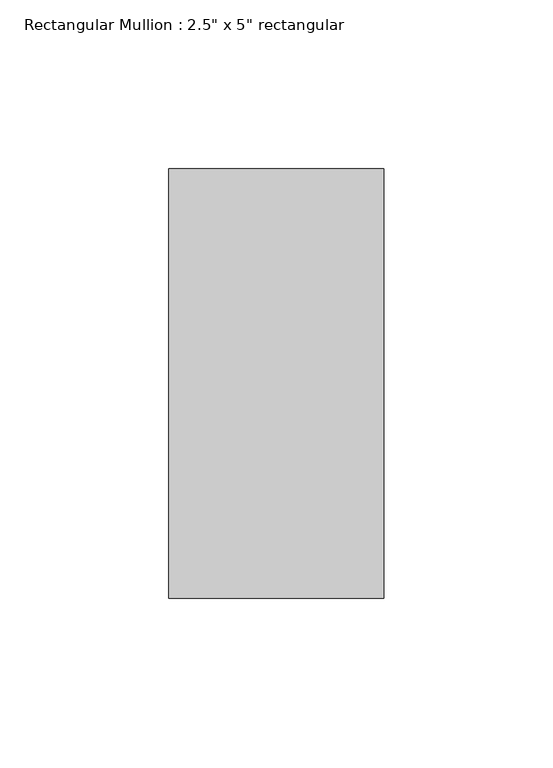
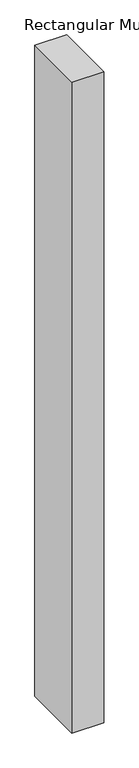
"""IFC4 building model written with IfcOpenShell, lengths in millimetres: member geometry."""

from ifc_helpers import new_model, si_unit, frame, origin, place, context, project, spatial, polyline, outline, extrude, source, transform, mapped, element, save


def member_ad82e784(model_context):
    return source(origin(), model_context, "Body", "SweptSolid", [
        extrude(outline(polyline([(31.75, 63.5), (31.75, -63.5), (-31.75, -63.5), (-31.75, 63.5), (31.75, 63.5)])), frame((0.0, 0.0, -1369.4833336), z_axis=(0.0, 0.0, 1.0), x_axis=(1.0, 0.0, 0.0)), (0.0, 0.0, 1.0), 1369.4833336),
    ])


if __name__ == "__main__":
    model = new_model("IFC4")
    model_context = context("Model", 3, world=origin())
    ifc_project = project(units=[si_unit("LENGTHUNIT", "METRE", prefix="MILLI")], contexts=[model_context])
    site = spatial("IfcSite", under=ifc_project)
    building = spatial("IfcBuilding", under=site)
    placement = place(None, origin())
    member_shape = member_ad82e784(model_context)
    element("IfcMember", 1, ObjectType="Rectangular Mullion : 2.5\" x 5\" rectangular", at=placement, inside=building, context=model_context, shape_type="MappedRepresentation", body=[
        mapped(member_shape, transform((0.0, 0.0, 0.0), x_axis=(1.0, 0.0, 0.0), y_axis=(0.0, 1.0, 0.0), z_axis=(0.0, 0.0, 1.0))),
    ])
    save(model, "model.ifc")
